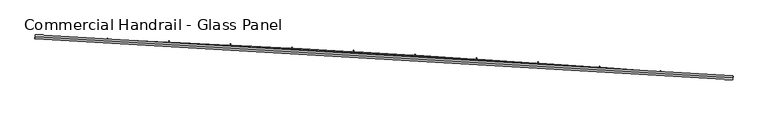
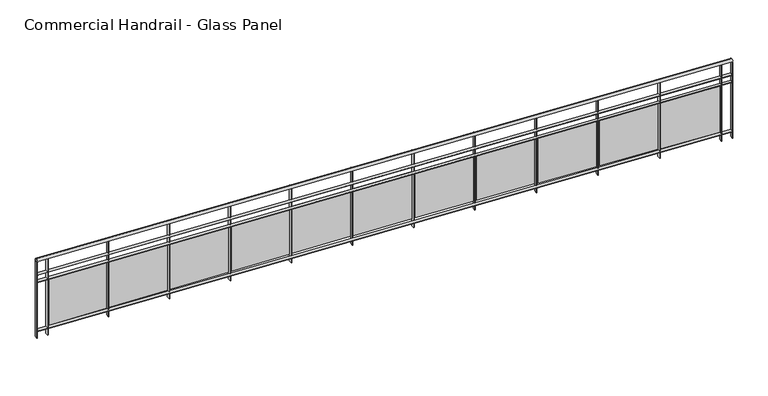
"""IFC4 building model written with IfcOpenShell, lengths in millimetres: railing geometry, Commercial Handrail - Glass Panel."""

from ifc_helpers import new_model, si_unit, point, frame, origin, place, context, project, spatial, polyline, circle_curve, ellipse_curve, trimmed, outline, extrude, source, transform, mapped, element, save
from ifc_brep_helpers import plane_surface, cylinder_surface, revolved_surface, advanced_brep


def commercial_handrail_glass_panel_96544be6(model_context):
    return source(origin(), model_context, "Body", "SolidModel", [
        advanced_brep(
        [(118318.4035087, -32849.2717188, 19682.5), (127382.7214131, -33380.8122629, 19682.5), (127382.7214131, -33380.8122629, 19717.5), (118318.4035087, -32849.2717188, 19717.5)],
        [
            (0, 1, circle_curve(frame((108840.1585672, -272033.3263712, 19682.5), z_axis=(0.0, 0.0, -1.0), x_axis=(0.07746344550314502, 0.9969951928724538, 0.0)), 239371.7801395)),
            (1, 2, ellipse_curve(frame((127382.7214131, -33380.8122629, 19700.0), z_axis=(-0.9969951928724544, 0.07746344550313862, 0.0), x_axis=(0.0774634455031386, 0.9969951928724542, 0.0)), 25.0, 17.5)),
            (2, 3, circle_curve(frame((108840.1585672, -272033.3263712, 19717.5), z_axis=(0.0, 0.0, 1.0), x_axis=(0.07746344550314502, 0.9969951928724538, 0.0)), 239371.7801395)),
            (3, 0, ellipse_curve(frame((118318.4035087, -32849.2717188, 19700.0), z_axis=(0.9992157576513465, -0.03959633393694334, 0.0), x_axis=(0.03959633393694333, 0.9992157576513463, 0.0)), 25.0, 17.5)),
            (2, 1, ellipse_curve(frame((127382.7214131, -33380.8122629, 19700.0), z_axis=(-0.9969951928724544, 0.07746344550313862, 0.0), x_axis=(0.0774634455031386, 0.9969951928724542, 0.0)), 25.0, 17.5)),
            (0, 3, ellipse_curve(frame((118318.4035087, -32849.2717188, 19700.0), z_axis=(0.9992157576513465, -0.03959633393694334, 0.0), x_axis=(0.03959633393694333, 0.9992157576513463, 0.0)), 25.0, 17.5)),
        ],
        [
            revolved_surface(trimmed(ellipse_curve(frame((127382.7214131, -33380.8122629, 19700.0), z_axis=(0.9969951928724538, -0.07746344550314502, 0.0), x_axis=(0.0, 0.0, -1.0)), 17.5, 25.0), [point((127382.7214131, -33380.8122629, 19717.5))], [point((127382.7214131, -33380.8122629, 19682.5))], True, "CARTESIAN"), (108840.1585672, -272033.3263712, 19700.0), (0.0, 0.0, 1.0)),
            revolved_surface(trimmed(ellipse_curve(frame((127382.7214131, -33380.8122629, 19700.0), z_axis=(0.9969951928724538, -0.07746344550314502, 0.0), x_axis=(0.0, 0.0, -1.0)), 17.5, 25.0), [point((127382.7214131, -33380.8122629, 19682.5))], [point((127382.7214131, -33380.8122629, 19717.5))], True, "CARTESIAN"), (108840.1585672, -272033.3263712, 19700.0), (0.0, 0.0, 1.0)),
            plane_surface(frame((127382.7214131, -33380.8122629, 19700.0), z_axis=(0.9969951928724538, -0.07746344550314502, 0.0), x_axis=(0.07746344550314502, 0.9969951928724538, 0.0))),
            plane_surface(frame((118318.4035087, -32849.2717188, 19700.0), z_axis=(-0.9992157576513464, 0.03959633393694337, 0.0), x_axis=(0.03959633393694337, 0.9992157576513464, 0.0))),
        ],
        [
            (0, [[1, 2, 3, 4]]),
            (1, [[-3, 5, -1, 6]]),
            (2, [[-2, -5]]),
            (3, [[-6, -4]]),
        ],
    ),
        advanced_brep(
        [(118317.5125912, -32871.7540734, 19500.0), (127380.9784855, -33403.2446547, 19500.0), (127384.4643406, -33358.379871, 19500.0), (118319.2944262, -32826.7893643, 19500.0), (118317.5125912, -32871.7540734, 19494.0), (127380.9784855, -33403.2446547, 19494.0), (118319.2944262, -32826.7893643, 19494.0), (127384.4643406, -33358.379871, 19494.0)],
        [
            (0, 1, circle_curve(frame((108840.1585672, -272033.3263712, 19500.0), z_axis=(0.0, 0.0, -1.0), x_axis=(0.07746344550314502, 0.9969951928724538, 0.0)), 239349.2801395)),
            (1, 2),
            (2, 3, circle_curve(frame((108840.1585672, -272033.3263712, 19500.0), z_axis=(0.0, 0.0, 1.0), x_axis=(0.07746344550314502, 0.9969951928724538, 0.0)), 239394.2801395)),
            (3, 0),
            (4, 5, circle_curve(frame((108840.1585672, -272033.3263712, 19494.0), z_axis=(0.0, 0.0, -1.0), x_axis=(0.07746344550314502, 0.9969951928724538, 0.0)), 239349.2801395)),
            (5, 1),
            (0, 4),
            (6, 7, circle_curve(frame((108840.1585672, -272033.3263712, 19494.0), z_axis=(0.0, 0.0, -1.0), x_axis=(0.07746344550314502, 0.9969951928724538, 0.0)), 239394.2801395)),
            (7, 5),
            (4, 6),
            (2, 7),
            (6, 3),
        ],
        [
            plane_surface(frame((108840.1585672, -272033.3263712, 19500.0), z_axis=(0.0, 0.0, 1.0), x_axis=(0.07746344550314502, 0.9969951928724538, 0.0))),
            revolved_surface(polyline([(127380.97848550315, -33403.24465463619, 19500.0), (127380.97848550315, -33403.24465463619, 19494.0)]), (108840.1585672, -272033.3263712, 19500.0), (0.0, 0.0, 1.0)),
            plane_surface(frame((108840.1585672, -272033.3263712, 19494.0), z_axis=(0.0, 0.0, -1.0), x_axis=(0.07746344550314502, 0.9969951928724538, 0.0))),
            cylinder_surface(frame((108840.1585672, -272033.3263712, 19500.0), z_axis=(0.0, 0.0, 1.0), x_axis=(0.07746344550314502, 0.9969951928724538, 0.0)), 239394.2801395),
            plane_surface(frame((127382.7214131, -33380.8122629, 19500.0), z_axis=(0.9969951928724538, -0.07746344550314502, 0.0), x_axis=(0.07746344550314502, 0.9969951928724538, 0.0))),
            plane_surface(frame((118318.4035087, -32849.2717188, 19500.0), z_axis=(-0.9992157576513464, 0.03959633393694337, 0.0), x_axis=(0.03959633393694337, 0.9992157576513464, 0.0))),
        ],
        [
            (0, [[1, 2, 3, 4]]),
            (1, [[5, 6, -1, 7]]),
            (2, [[8, 9, -5, 10]]),
            (3, [[-3, 11, -8, 12]]),
            (4, [[-2, -6, -9, -11]]),
            (5, [[-12, -10, -7, -4]]),
        ],
    ),
        advanced_brep(
        [(118317.5125912, -32871.7540734, 19400.0), (127380.9784855, -33403.2446547, 19400.0), (127384.4643406, -33358.379871, 19400.0), (118319.2944262, -32826.7893643, 19400.0), (118317.5125912, -32871.7540734, 19394.0), (127380.9784855, -33403.2446547, 19394.0), (118319.2944262, -32826.7893643, 19394.0), (127384.4643406, -33358.379871, 19394.0)],
        [
            (0, 1, circle_curve(frame((108840.1585672, -272033.3263712, 19400.0), z_axis=(0.0, 0.0, -1.0), x_axis=(0.07746344550314502, 0.9969951928724538, 0.0)), 239349.2801395)),
            (1, 2),
            (2, 3, circle_curve(frame((108840.1585672, -272033.3263712, 19400.0), z_axis=(0.0, 0.0, 1.0), x_axis=(0.07746344550314502, 0.9969951928724538, 0.0)), 239394.2801395)),
            (3, 0),
            (4, 5, circle_curve(frame((108840.1585672, -272033.3263712, 19394.0), z_axis=(0.0, 0.0, -1.0), x_axis=(0.07746344550314502, 0.9969951928724538, 0.0)), 239349.2801395)),
            (5, 1),
            (0, 4),
            (6, 7, circle_curve(frame((108840.1585672, -272033.3263712, 19394.0), z_axis=(0.0, 0.0, -1.0), x_axis=(0.07746344550314502, 0.9969951928724538, 0.0)), 239394.2801395)),
            (7, 5),
            (4, 6),
            (2, 7),
            (6, 3),
        ],
        [
            plane_surface(frame((108840.1585672, -272033.3263712, 19400.0), z_axis=(0.0, 0.0, 1.0), x_axis=(0.07746344550314502, 0.9969951928724538, 0.0))),
            revolved_surface(polyline([(127380.97848550315, -33403.24465463619, 19400.0), (127380.97848550315, -33403.24465463619, 19394.0)]), (108840.1585672, -272033.3263712, 19400.0), (0.0, 0.0, 1.0)),
            plane_surface(frame((108840.1585672, -272033.3263712, 19394.0), z_axis=(0.0, 0.0, -1.0), x_axis=(0.07746344550314502, 0.9969951928724538, 0.0))),
            cylinder_surface(frame((108840.1585672, -272033.3263712, 19400.0), z_axis=(0.0, 0.0, 1.0), x_axis=(0.07746344550314502, 0.9969951928724538, 0.0)), 239394.2801395),
            plane_surface(frame((127382.7214131, -33380.8122629, 19400.0), z_axis=(0.9969951928724538, -0.07746344550314502, 0.0), x_axis=(0.07746344550314502, 0.9969951928724538, 0.0))),
            plane_surface(frame((118318.4035087, -32849.2717188, 19400.0), z_axis=(-0.9992157576513464, 0.03959633393694337, 0.0), x_axis=(0.03959633393694337, 0.9992157576513464, 0.0))),
        ],
        [
            (0, [[1, 2, 3, 4]]),
            (1, [[5, 6, -1, 7]]),
            (2, [[8, 9, -5, 10]]),
            (3, [[-3, 11, -8, 12]]),
            (4, [[-2, -6, -9, -11]]),
            (5, [[-12, -10, -7, -4]]),
        ],
    ),
        advanced_brep(
        [(118317.5125912, -32871.7540734, 18700.0), (127380.9784855, -33403.2446547, 18700.0), (127384.4643406, -33358.379871, 18700.0), (118319.2944262, -32826.7893643, 18700.0), (118317.5125912, -32871.7540734, 18694.0), (127380.9784855, -33403.2446547, 18694.0), (118319.2944262, -32826.7893643, 18694.0), (127384.4643406, -33358.379871, 18694.0)],
        [
            (0, 1, circle_curve(frame((108840.1585672, -272033.3263712, 18700.0), z_axis=(0.0, 0.0, -1.0), x_axis=(0.07746344550314502, 0.9969951928724538, 0.0)), 239349.2801395)),
            (1, 2),
            (2, 3, circle_curve(frame((108840.1585672, -272033.3263712, 18700.0), z_axis=(0.0, 0.0, 1.0), x_axis=(0.07746344550314502, 0.9969951928724538, 0.0)), 239394.2801395)),
            (3, 0),
            (4, 5, circle_curve(frame((108840.1585672, -272033.3263712, 18694.0), z_axis=(0.0, 0.0, -1.0), x_axis=(0.07746344550314502, 0.9969951928724538, 0.0)), 239349.2801395)),
            (5, 1),
            (0, 4),
            (6, 7, circle_curve(frame((108840.1585672, -272033.3263712, 18694.0), z_axis=(0.0, 0.0, -1.0), x_axis=(0.07746344550314502, 0.9969951928724538, 0.0)), 239394.2801395)),
            (7, 5),
            (4, 6),
            (2, 7),
            (6, 3),
        ],
        [
            plane_surface(frame((108840.1585672, -272033.3263712, 18700.0), z_axis=(0.0, 0.0, 1.0), x_axis=(0.07746344550314502, 0.9969951928724538, 0.0))),
            revolved_surface(polyline([(127380.97848550315, -33403.24465463619, 18700.0), (127380.97848550315, -33403.24465463619, 18694.0)]), (108840.1585672, -272033.3263712, 18700.0), (0.0, 0.0, 1.0)),
            plane_surface(frame((108840.1585672, -272033.3263712, 18694.0), z_axis=(0.0, 0.0, -1.0), x_axis=(0.07746344550314502, 0.9969951928724538, 0.0))),
            cylinder_surface(frame((108840.1585672, -272033.3263712, 18700.0), z_axis=(0.0, 0.0, 1.0), x_axis=(0.07746344550314502, 0.9969951928724538, 0.0)), 239394.2801395),
            plane_surface(frame((127382.7214131, -33380.8122629, 18700.0), z_axis=(0.9969951928724538, -0.07746344550314502, 0.0), x_axis=(0.07746344550314502, 0.9969951928724538, 0.0))),
            plane_surface(frame((118318.4035087, -32849.2717188, 18700.0), z_axis=(-0.9992157576513464, 0.03959633393694337, 0.0), x_axis=(0.03959633393694337, 0.9992157576513464, 0.0))),
        ],
        [
            (0, [[1, 2, 3, 4]]),
            (1, [[5, 6, -1, 7]]),
            (2, [[8, 9, -5, 10]]),
            (3, [[-3, 11, -8, 12]]),
            (4, [[-2, -6, -9, -11]]),
            (5, [[-12, -10, -7, -4]]),
        ],
    ),
        extrude(outline(polyline([(118462.4105775, -32832.5035492), (118460.6024038, -32877.4672068), (118454.6072494, -32877.226117), (118456.4154232, -32832.2624594), (118462.4105775, -32832.5035492)])), frame((0.0, 0.0, 18600.0), z_axis=(0.0, 0.0, 1.0), x_axis=(1.0, 0.0, 0.0)), (0.0, 0.0, 1.0), 1082.1192282),
        extrude(outline(polyline([(119237.5882112, -32893.169646), (118478.2540839, -32861.3626786), (118478.7562992, -32849.3731924), (119238.0904265, -32881.1801598), (119237.5882112, -32893.169646)])), frame((0.0, 0.0, 18720.0), z_axis=(0.0, 0.0, 1.0), x_axis=(1.0, 0.0, 0.0)), (0.0, 0.0, 1.0), 660.0),
        extrude(outline(polyline([(119261.7839982, -32865.9977164), (119259.8255626, -32910.9550799), (119253.8312475, -32910.6939552), (119255.789683, -32865.7365917), (119261.7839982, -32865.9977164)])), frame((0.0, 0.0, 18600.0), z_axis=(0.0, 0.0, 1.0), x_axis=(1.0, 0.0, 0.0)), (0.0, 0.0, 1.0), 1082.1192282),
        extrude(outline(polyline([(120036.754552, -32929.2541764), (119277.5309667, -32894.9096349), (119278.0732489, -32882.9218941), (120037.2968342, -32917.2664356), (120036.754552, -32929.2541764)])), frame((0.0, 0.0, 18720.0), z_axis=(0.0, 0.0, 1.0), x_axis=(1.0, 0.0, 0.0)), (0.0, 0.0, 1.0), 660.0),
        extrude(outline(polyline([(120061.0410145, -32902.1632628), (120058.932339, -32947.1138299), (120052.93893, -32946.8326732), (120055.0476055, -32901.8821061), (120061.0410145, -32902.1632628)])), frame((0.0, 0.0, 18600.0), z_axis=(0.0, 0.0, 1.0), x_axis=(1.0, 0.0, 0.0)), (0.0, 0.0, 1.0), 1082.1192282),
        extrude(outline(polyline([(120835.7958324, -32968.0093795), (120076.6912693, -32931.1276473), (120077.2736124, -32919.1417858), (120836.3781756, -32956.0235179), (120835.7958324, -32968.0093795)])), frame((0.0, 0.0, 18720.0), z_axis=(0.0, 0.0, 1.0), x_axis=(1.0, 0.0, 0.0)), (0.0, 0.0, 1.0), 660.0),
        extrude(outline(polyline([(120860.1726992, -32940.9997843), (120857.9138072, -32985.943053), (120851.9213714, -32985.6418675), (120854.1802633, -32940.6985987), (120860.1726992, -32940.9997843)])), frame((0.0, 0.0, 18600.0), z_axis=(0.0, 0.0, 1.0), x_axis=(1.0, 0.0, 0.0)), (0.0, 0.0, 1.0), 1082.1192282),
        extrude(outline(polyline([(121634.7031276, -33009.4348222), (120875.7260654, -32970.0163114), (120876.3484629, -32958.032463), (121635.3255252, -32997.4509738), (121634.7031276, -33009.4348222)])), frame((0.0, 0.0, 18720.0), z_axis=(0.0, 0.0, 1.0), x_axis=(1.0, 0.0, 0.0)), (0.0, 0.0, 1.0), 660.0),
        extrude(outline(polyline([(121659.1701263, -32982.5068471), (121656.7610432, -33027.4423155), (121650.7696474, -33027.1211044), (121653.1787305, -32982.1856361), (121659.1701263, -32982.5068471)])), frame((0.0, 0.0, 18600.0), z_axis=(0.0, 0.0, 1.0), x_axis=(1.0, 0.0, 0.0)), (0.0, 0.0, 1.0), 1082.1192282),
        extrude(outline(polyline([(122433.4675142, -33053.5300418), (121674.6264303, -33011.5751927), (121675.2888752, -32999.5934914), (122434.1299592, -33041.5483405), (122433.4675142, -33053.5300418)])), frame((0.0, 0.0, 18720.0), z_axis=(0.0, 0.0, 1.0), x_axis=(1.0, 0.0, 0.0)), (0.0, 0.0, 1.0), 660.0),
        extrude(outline(polyline([(122458.0243716, -33026.6839877), (122455.4651242, -33071.6111538), (122449.4748354, -33071.2699209), (122452.0340827, -33026.3427548), (122458.0243716, -33026.6839877)])), frame((0.0, 0.0, 18600.0), z_axis=(0.0, 0.0, 1.0), x_axis=(1.0, 0.0, 0.0)), (0.0, 0.0, 1.0), 1082.1192282),
        extrude(outline(polyline([(123232.0800703, -33100.2945459), (122473.3834406, -33055.8038271), (122474.0859256, -33043.8244066), (123232.7825553, -33088.3151255), (123232.0800703, -33100.2945459)])), frame((0.0, 0.0, 18720.0), z_axis=(0.0, 0.0, 1.0), x_axis=(1.0, 0.0, 0.0)), (0.0, 0.0, 1.0), 660.0),
        extrude(outline(polyline([(123256.726512, -33073.5307127), (123254.017129, -33118.4490746), (123248.0280141, -33118.0878236), (123250.7373971, -33073.1694616), (123256.726512, -33073.5307127)])), frame((0.0, 0.0, 18600.0), z_axis=(0.0, 0.0, 1.0), x_axis=(1.0, 0.0, 0.0)), (0.0, 0.0, 1.0), 1082.1192282),
        extrude(outline(polyline([(124030.5318758, -33149.7278122), (123271.9881746, -33102.7017206), (123272.7306918, -33090.7247148), (124031.2743931, -33137.7508064), (124030.5318758, -33149.7278122)])), frame((0.0, 0.0, 18720.0), z_axis=(0.0, 0.0, 1.0), x_axis=(1.0, 0.0, 0.0)), (0.0, 0.0, 1.0), 660.0),
        extrude(outline(polyline([(124055.2676267, -33123.0464986), (124052.4081383, -33167.9555548), (124046.4202641, -33167.5742897), (124049.2797526, -33122.6652335), (124055.2676267, -33123.0464986)])), frame((0.0, 0.0, 18600.0), z_axis=(0.0, 0.0, 1.0), x_axis=(1.0, 0.0, 0.0)), (0.0, 0.0, 1.0), 1082.1192282),
        extrude(outline(polyline([(124828.8140126, -33201.8292884), (124070.4317123, -33152.2683493), (124071.2142535, -33140.2938919), (124829.5965537, -33189.854831), (124828.8140126, -33201.8292884)])), frame((0.0, 0.0, 18720.0), z_axis=(0.0, 0.0, 1.0), x_axis=(1.0, 0.0, 0.0)), (0.0, 0.0, 1.0), 660.0),
        extrude(outline(polyline([(124853.6387962, -33175.2307926), (124850.6292343, -33220.1300413), (124844.6426678, -33219.7287664), (124847.6522297, -33174.8295177), (124853.6387962, -33175.2307926)])), frame((0.0, 0.0, 18600.0), z_axis=(0.0, 0.0, 1.0), x_axis=(1.0, 0.0, 0.0)), (0.0, 0.0, 1.0), 1082.1192282),
        extrude(outline(polyline([(125626.917564, -33256.5983926), (124868.7051355, -33204.5031595), (124869.5276919, -33192.5313844), (125627.7401203, -33244.6266175), (125626.917564, -33256.5983926)])), frame((0.0, 0.0, 18720.0), z_axis=(0.0, 0.0, 1.0), x_axis=(1.0, 0.0, 0.0)), (0.0, 0.0, 1.0), 660.0),
        extrude(outline(polyline([(125651.8311032, -33230.0830117), (125648.6715014, -33274.9719515), (125642.6863095, -33274.5506713), (125645.8459113, -33229.6617315), (125651.8311032, -33230.0830117)])), frame((0.0, 0.0, 18600.0), z_axis=(0.0, 0.0, 1.0), x_axis=(1.0, 0.0, 0.0)), (0.0, 0.0, 1.0), 1082.1192282),
        extrude(outline(polyline([(126424.8336158, -33314.0345132), (125666.7995279, -33259.405568), (125667.6620902, -33247.4366087), (126425.6961781, -33302.0655539), (126424.8336158, -33314.0345132)])), frame((0.0, 0.0, 18720.0), z_axis=(0.0, 0.0, 1.0), x_axis=(1.0, 0.0, 0.0)), (0.0, 0.0, 1.0), 660.0),
        extrude(outline(polyline([(126449.8356323, -33287.6025432), (126446.5260259, -33332.4806727), (126440.5422753, -33332.0393919), (126443.8518817, -33287.1612624), (126449.8356323, -33287.6025432)])), frame((0.0, 0.0, 18600.0), z_axis=(0.0, 0.0, 1.0), x_axis=(1.0, 0.0, 0.0)), (0.0, 0.0, 1.0), 1082.1192282),
        extrude(outline(polyline([(127222.5532556, -33374.1370085), (126464.7059752, -33316.9749614), (126465.6085338, -33305.0089517), (127223.4558142, -33362.1709988), (127222.5532556, -33374.1370085)])), frame((0.0, 0.0, 18720.0), z_axis=(0.0, 0.0, 1.0), x_axis=(1.0, 0.0, 0.0)), (0.0, 0.0, 1.0), 660.0),
        extrude(outline(polyline([(127247.64347, -33347.7887447), (127244.1838961, -33392.6555626), (127238.2016537, -33392.1942861), (127241.6612277, -33347.3274682), (127247.64347, -33347.7887447)])), frame((0.0, 0.0, 18600.0), z_axis=(0.0, 0.0, 1.0), x_axis=(1.0, 0.0, 0.0)), (0.0, 0.0, 1.0), 1082.1192282),
        extrude(outline(polyline([(118322.2920735, -32826.9081533), (118320.5102385, -32871.8728624), (118314.5149439, -32871.6352844), (118316.296779, -32826.6705753), (118322.2920735, -32826.9081533)])), frame((0.0, 0.0, 18600.0), z_axis=(0.0, 0.0, 1.0), x_axis=(1.0, 0.0, 0.0)), (0.0, 0.0, 1.0), 1082.1192282),
        extrude(outline(polyline([(127387.4553262, -33358.6122614), (127383.9694711, -33403.477045), (127377.9875, -33403.0122644), (127381.473355, -33358.1474807), (127387.4553262, -33358.6122614)])), frame((0.0, 0.0, 18600.0), z_axis=(0.0, 0.0, 1.0), x_axis=(1.0, 0.0, 0.0)), (0.0, 0.0, 1.0), 1082.1192282),
    ])


if __name__ == "__main__":
    model = new_model("IFC4")
    model_context = context("Model", 3, world=origin())
    ifc_project = project(units=[si_unit("LENGTHUNIT", "METRE", prefix="MILLI")], contexts=[model_context])
    site = spatial("IfcSite", under=ifc_project)
    building = spatial("IfcBuilding", under=site)
    placement = place(None, origin())
    commercial_handrail_glass_panel_shape = commercial_handrail_glass_panel_96544be6(model_context)
    element("IfcRailing", 1, ObjectType="Commercial Handrail - Glass Panel", at=placement, inside=building, context=model_context, shape_type="MappedRepresentation", body=[
        mapped(commercial_handrail_glass_panel_shape, transform((0.0, 0.0, 0.0), x_axis=(1.0, 0.0, 0.0), y_axis=(0.0, 1.0, 0.0), z_axis=(0.0, 0.0, 1.0))),
    ])
    save(model, "model.ifc")
